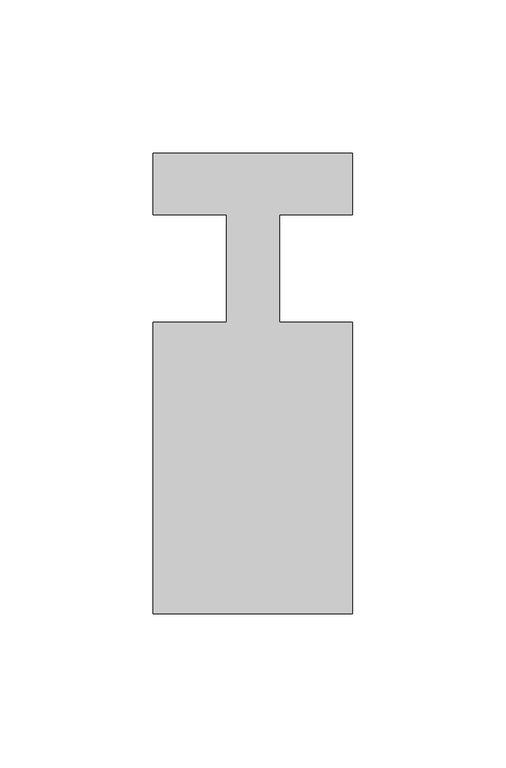
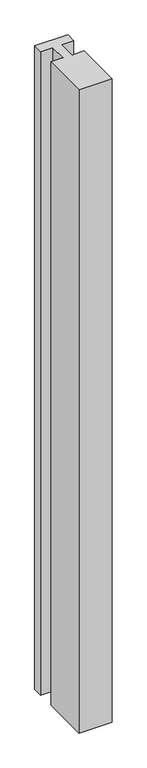
"""IFC4 building model written with IfcOpenShell, lengths in millimetres: member geometry."""

from ifc_helpers import new_model, si_unit, frame, origin, place, context, project, spatial, polyline, outline, extrude, source, transform, mapped, element, save


def member_f35ed330(model_context):
    return source(origin(), model_context, "Body", "SweptSolid", [
        extrude(outline(polyline([(-32.5, 37.0), (32.5, 37.0), (32.5, 17.0), (8.6875, 17.0), (8.6875, -18.0), (32.5, -18.0), (32.5, -113.0), (-32.5, -113.0), (-32.5, -18.0), (-8.6875, -18.0), (-8.6875, 17.0), (-32.5, 17.0), (-32.5, 37.0)])), frame((0.0, 0.0, -1334.7115882), z_axis=(0.0, 0.0, 1.0), x_axis=(1.0, 0.0, 0.0)), (0.0, 0.0, 1.0), 1334.7115882),
    ])


if __name__ == "__main__":
    model = new_model("IFC4")
    model_context = context("Model", 3, world=origin())
    ifc_project = project(units=[si_unit("LENGTHUNIT", "METRE", prefix="MILLI")], contexts=[model_context])
    site = spatial("IfcSite", under=ifc_project)
    building = spatial("IfcBuilding", under=site)
    placement = place(None, origin())
    member_shape = member_f35ed330(model_context)
    element("IfcMember", 1, at=placement, inside=building, context=model_context, shape_type="MappedRepresentation", body=[
        mapped(member_shape, transform((0.0, 0.0, 0.0), x_axis=(1.0, 0.0, 0.0), y_axis=(0.0, 1.0, 0.0), z_axis=(0.0, 0.0, 1.0))),
    ])
    save(model, "model.ifc")
